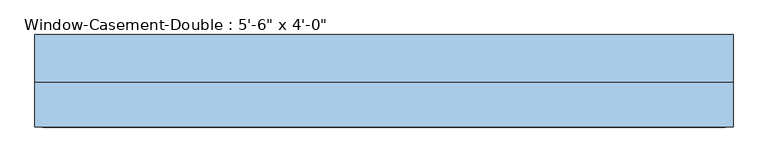
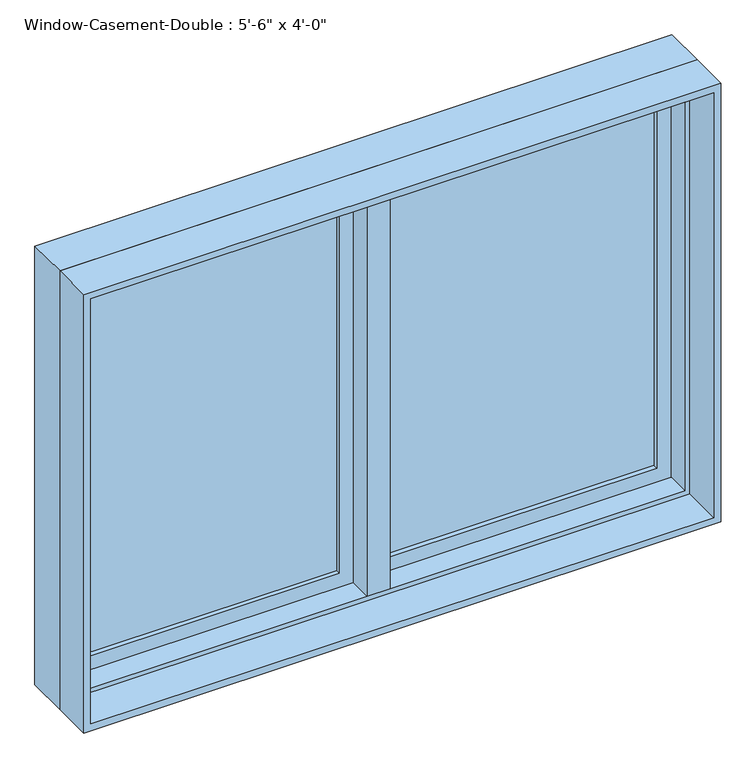
"""IFC4 building model written with IfcOpenShell, lengths in millimetres: window geometry."""

from ifc_helpers import new_model, si_unit, frame, origin, place, context, project, spatial, polyline, outline, extrude, faceted_brep, source, transform, mapped, element, save


def window_e96f9596(model_context):
    return source(origin(), model_context, "Body", "SolidModel", [
        faceted_brep([(9.525, 120.65, 2120.9), (-9.525, 120.65, 2120.9), (-9.525, 69.85, 2120.9), (9.525, 69.85, 2120.9), (9.525, 120.65, 927.1), (9.525, 69.85, 927.1), (-9.525, 69.85, 927.1), (-9.525, 120.65, 927.1), (-9.525, 69.85, 946.15), (-9.525, 69.85, 2101.85), (-30.1625, 69.85, 946.15), (-30.1625, 69.85, 2101.85), (-30.1625, 6.35, 946.15), (-30.1625, 6.35, 2101.85), (30.1625, 6.35, 946.15), (30.1625, 6.35, 2101.85), (30.1625, 69.85, 946.15), (30.1625, 69.85, 2101.85), (9.525, 69.85, 946.15), (9.525, 69.85, 2101.85)], [[[0, 1, 2, 3]], [[4, 5, 6, 7]], [[1, 0, 4, 7]], [[2, 1, 7, 6, 8, 9]], [[9, 8, 10, 11]], [[11, 10, 12, 13]], [[13, 12, 14, 15]], [[15, 14, 16, 17]], [[17, 16, 18, 19]], [[0, 3, 19, 18, 5, 4]], [[18, 8, 6, 5]], [[9, 19, 3, 2]], [[8, 18, 16, 14, 12, 10]], [[19, 9, 11, 13, 15, 17]]]),
        extrude(outline(polyline([(-66.675, 101.6), (-66.675, 95.25), (-768.35, 95.25), (-768.35, 101.6), (-66.675, 101.6)])), frame((0.0, 0.0, 984.25), z_axis=(0.0, 0.0, 1.0), x_axis=(1.0, 0.0, 0.0)), (0.0, 0.0, 1.0), 1079.5),
        extrude(outline(polyline([(-768.35, 82.55), (-768.35, 88.9), (-66.675, 88.9), (-66.675, 82.55), (-768.35, 82.55)])), frame((0.0, 0.0, 984.25), z_axis=(0.0, 0.0, 1.0), x_axis=(1.0, 0.0, 0.0)), (0.0, 0.0, 1.0), 1079.5),
        extrude(outline(polyline([(768.35, 101.6), (768.35, 95.25), (66.675, 95.25), (66.675, 101.6), (768.35, 101.6)])), frame((0.0, 0.0, 984.25), z_axis=(0.0, 0.0, 1.0), x_axis=(1.0, 0.0, 0.0)), (0.0, 0.0, 1.0), 1079.5),
        extrude(outline(polyline([(66.675, 82.55), (66.675, 88.9), (768.35, 88.9), (768.35, 82.55), (66.675, 82.55)])), frame((0.0, 0.0, 984.25), z_axis=(0.0, 0.0, 1.0), x_axis=(1.0, 0.0, 0.0)), (0.0, 0.0, 1.0), 1079.5),
        extrude(outline(polyline([(2120.9, -825.5), (927.1, -825.5), (927.1, -9.525), (2120.9, -9.525), (2120.9, -825.5)]), holes=[polyline([(2063.75, -66.675), (984.25, -66.675), (984.25, -768.35), (2063.75, -768.35), (2063.75, -66.675)])]), frame((0.0, 69.85, 0.0), z_axis=(0.0, 1.0, 0.0), x_axis=(0.0, 0.0, 1.0)), (0.0, 0.0, 1.0), 44.45),
        extrude(outline(polyline([(927.1, 825.5), (2120.9, 825.5), (2120.9, 9.525), (927.1, 9.525), (927.1, 825.5)]), holes=[polyline([(984.25, 66.675), (2063.75, 66.675), (2063.75, 768.35), (984.25, 768.35), (984.25, 66.675)])]), frame((0.0, 69.85, 0.0), z_axis=(0.0, 1.0, 0.0), x_axis=(0.0, 0.0, 1.0)), (0.0, 0.0, 1.0), 44.45),
        extrude(outline(polyline([(2133.6, -838.2), (914.4, -838.2), (914.4, 838.2), (2133.6, 838.2), (2133.6, -838.2)]), holes=[polyline([(2114.55, 819.15), (933.45, 819.15), (933.45, -819.15), (2114.55, -819.15), (2114.55, 819.15)])]), frame((0.0, -101.6, 0.0), z_axis=(0.0, 1.0, 0.0), x_axis=(0.0, 0.0, 1.0)), (0.0, 0.0, 1.0), 107.95),
        faceted_brep([(806.45, 69.85, 2101.85), (806.45, 6.35, 2101.85), (-806.45, 6.35, 2101.85), (-806.45, 69.85, 2101.85), (825.5, 120.65, 2120.9), (825.5, 69.85, 2120.9), (-825.5, 69.85, 2120.9), (-825.5, 120.65, 2120.9), (838.2, 6.35, 2133.6), (838.2, 120.65, 2133.6), (-838.2, 120.65, 2133.6), (-838.2, 6.35, 2133.6), (-806.45, 6.35, 946.15), (-806.45, 69.85, 946.15), (-825.5, 69.85, 927.1), (-825.5, 120.65, 927.1), (-838.2, 120.65, 914.4), (-838.2, 6.35, 914.4), (806.45, 6.35, 946.15), (806.45, 69.85, 946.15), (825.5, 69.85, 927.1), (825.5, 120.65, 927.1), (838.2, 120.65, 914.4), (838.2, 6.35, 914.4)], [[[0, 1, 2, 3]], [[4, 5, 6, 7]], [[8, 9, 10, 11]], [[3, 2, 12, 13]], [[7, 6, 14, 15]], [[11, 10, 16, 17]], [[13, 12, 18, 19]], [[15, 14, 20, 21]], [[17, 16, 22, 23]], [[11, 17, 23, 8], [1, 18, 12, 2]], [[19, 18, 1, 0]], [[5, 20, 14, 6], [3, 13, 19, 0]], [[21, 20, 5, 4]], [[23, 22, 9, 8]], [[9, 22, 16, 10], [7, 15, 21, 4]]]),
    ])


if __name__ == "__main__":
    model = new_model("IFC4")
    model_context = context("Model", 3, world=origin())
    ifc_project = project(units=[si_unit("LENGTHUNIT", "METRE", prefix="MILLI")], contexts=[model_context])
    site = spatial("IfcSite", under=ifc_project)
    building = spatial("IfcBuilding", under=site)
    placement = place(None, origin())
    window_shape = window_e96f9596(model_context)
    element("IfcWindow", 1, ObjectType="Window-Casement-Double : 5'-6\" x 4'-0\"", at=placement, inside=building, context=model_context, shape_type="MappedRepresentation", body=[
        mapped(window_shape, transform((0.0, 0.0, 0.0), x_axis=(1.0, 0.0, 0.0), y_axis=(0.0, 1.0, 0.0), z_axis=(0.0, 0.0, 1.0))),
    ])
    save(model, "model.ifc")
